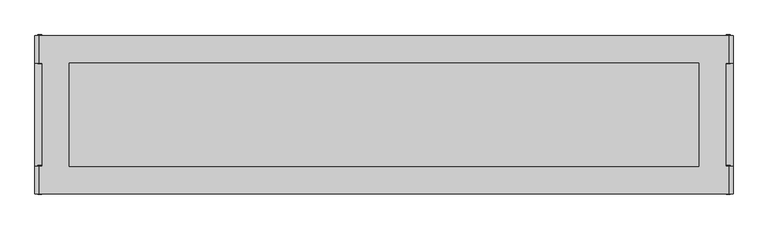
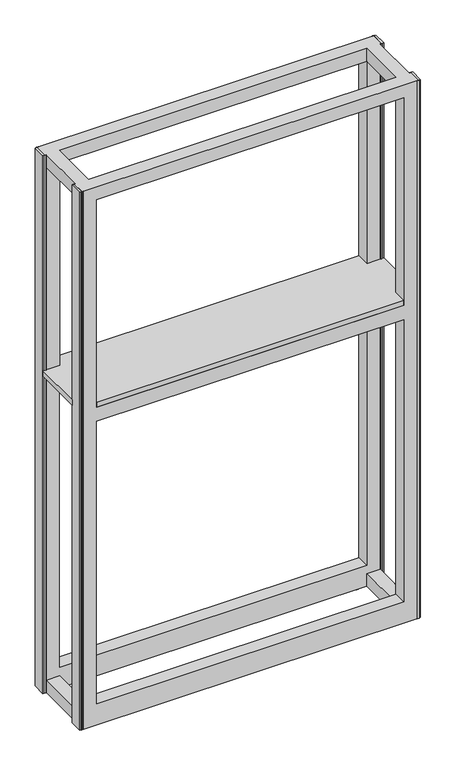
"""IFC4 building model written with IfcOpenShell, lengths in millimetres: furniture geometry."""

import ifcopenshell
import ifcopenshell.guid

model = None  # the IFC model being written
_history = None  # IfcOwnerHistory: only IFC2X3 demands one
_inside = {}  # id of a spatial element -> (the spatial element, [elements in it])
_under = {}  # id of a project, library or spatial element -> (it, [spatial elements below it])
_declared = {}  # id of a project -> (the project, [libraries it declares])
_typed = {}  # id of a type object -> (the type object, [elements of that type])
_made_of = {}  # id of a material, layer set ... -> (it, [elements and type objects made of it])


def new_model(schema):
    """Start an empty IFC model of exactly this schema.

    Asked for "IFC4X3", IfcOpenShell would pick the latest addendum, in which some entities
    have other attributes; the version numbers below select the first issue.
    IFC2X3 requires an IfcOwnerHistory on every rooted entity: one is made here for all.
    """
    global model, _history
    if schema == "IFC4X3":
        model = ifcopenshell.file(schema_version=(4, 3, 0, 0))
    else:
        model = ifcopenshell.file(schema=schema)
    _inside.clear()
    _under.clear()
    _declared.clear()
    _typed.clear()
    _made_of.clear()
    _history = None
    if model.schema == "IFC2X3":
        org = make("IfcOrganization", Name="unknown")
        user = make(
            "IfcPersonAndOrganization",
            ThePerson=make("IfcPerson", FamilyName="unknown"),
            TheOrganization=org,
        )
        app = make(
            "IfcApplication",
            ApplicationDeveloper=org,
            Version="unknown",
            ApplicationFullName="unknown",
            ApplicationIdentifier="unknown",
        )
        _history = make(
            "IfcOwnerHistory",
            OwningUser=user,
            OwningApplication=app,
            ChangeAction="ADDED",
            CreationDate=0,
        )
    return model


def make(cls, **values):
    """One entity of the class cls with the attributes given. An attribute that is None is left unset."""
    return model.create_entity(
        cls, **{name: value for name, value in values.items() if value is not None}
    )


def rooted(cls, **values):
    """An entity with a GlobalId (a new one), such as an element, a storey or a relation."""
    return make(cls, GlobalId=ifcopenshell.guid.new(), OwnerHistory=_history, **values)


def si_unit(unit_type, name, prefix=None):
    """IfcSIUnit, for example si_unit("LENGTHUNIT", "METRE", prefix="MILLI")."""
    return make("IfcSIUnit", UnitType=unit_type, Prefix=prefix, Name=name)


def assignment(units):
    """IfcUnitAssignment: the units of a project."""
    return None if units is None else make("IfcUnitAssignment", Units=units)


def point(xyz):
    """IfcCartesianPoint."""
    return None if xyz is None else make("IfcCartesianPoint", Coordinates=xyz)


def direction(xyz):
    """IfcDirection."""
    return None if xyz is None else make("IfcDirection", DirectionRatios=xyz)


def frame(location, z_axis=None, x_axis=None):
    """IfcAxis2Placement3D, a coordinate frame: its origin and axes. An axis left out is left unset."""
    return make(
        "IfcAxis2Placement3D",
        Location=point(location),
        Axis=direction(z_axis),
        RefDirection=direction(x_axis),
    )


def origin():
    """The frame at (0, 0, 0) with its axes left unset."""
    return frame((0.0, 0.0, 0.0))


def place(relative_to, where):
    """IfcLocalPlacement: puts the frame where relative to a parent placement (None: the world)."""
    return make(
        "IfcLocalPlacement", PlacementRelTo=relative_to, RelativePlacement=where
    )


def context(
    kind, dimensions, precision=None, world=None, true_north=None, identifier=None
):
    """IfcGeometricRepresentationContext, for example the 3D "Model" context."""
    return make(
        "IfcGeometricRepresentationContext",
        ContextIdentifier=identifier,
        ContextType=kind,
        CoordinateSpaceDimension=dimensions,
        Precision=precision,
        WorldCoordinateSystem=world,
        TrueNorth=true_north,
    )


def project(units=None, contexts=None):
    """IfcProject with its units and contexts."""
    return rooted(
        "IfcProject",
        Name="project",
        RepresentationContexts=contexts,
        UnitsInContext=assignment(units),
    )


def spatial(cls, under=None, at=None, **own):
    """A site, building, storey or space (cls), placed at a placement, below another one or the project."""
    s = rooted(cls, ObjectPlacement=at, **own)
    if under is not None:
        _under.setdefault(under.id(), (under, []))[1].append(s)
    return s


def polyline(points):
    """IfcPolyline through the points."""
    return make("IfcPolyline", Points=[point(p) for p in points])


def circle_curve(where, radius):
    """IfcCircle in the frame where."""
    return make("IfcCircle", Position=where, Radius=radius)


def outline(outer, holes=None, kind="AREA"):
    """IfcArbitraryClosedProfileDef: a profile drawn as a closed curve; with holes, ...WithVoids."""
    if holes is None:
        return make("IfcArbitraryClosedProfileDef", ProfileType=kind, OuterCurve=outer)
    return make(
        "IfcArbitraryProfileDefWithVoids",
        ProfileType=kind,
        OuterCurve=outer,
        InnerCurves=holes,
    )


def extrude(swept, where, along, depth):
    """IfcExtrudedAreaSolid: the profile swept, set in the frame where, extruded along a direction by depth."""
    return make(
        "IfcExtrudedAreaSolid",
        SweptArea=swept,
        Position=where,
        ExtrudedDirection=direction(along),
        Depth=depth,
    )


def faces_of(points, faces, orient=None, outer=None):
    """IfcFace entities. A face is a list of loops; a loop is a list of indices into points, from 0.

    orient and outer hold one flag for each loop. By default every Orientation is true, the
    first loop of a face is its IfcFaceOuterBound and the others are IfcFaceBound.
    """
    made = []
    for i, loops in enumerate(faces):
        bounds = []
        for j, loop in enumerate(loops):
            is_outer = j == 0 if outer is None else outer[i][j]
            bounds.append(
                make(
                    "IfcFaceOuterBound" if is_outer else "IfcFaceBound",
                    Bound=make("IfcPolyLoop", Polygon=[points[k] for k in loop]),
                    Orientation=True if orient is None else orient[i][j],
                )
            )
        made.append(make("IfcFace", Bounds=bounds))
    return made


def faceted_brep(points, faces, orient=None, outer=None, voids=None):
    """IfcFacetedBrep: a solid bounded by flat faces; with voids (closed shells), ...WithVoids."""
    shared = [point(p) for p in points]
    hull = make("IfcClosedShell", CfsFaces=faces_of(shared, faces, orient, outer))
    if voids is None:
        return make("IfcFacetedBrep", Outer=hull)
    return make(
        "IfcFacetedBrepWithVoids",
        Outer=hull,
        Voids=[
            make(cls, CfsFaces=faces_of(shared, fs, o, b)) for cls, fs, o, b in voids
        ],
    )


def shape(context_of_items, identifier, shape_type, items):
    """IfcShapeRepresentation: the items that make up one representation, for example the "Body"."""
    return make(
        "IfcShapeRepresentation",
        ContextOfItems=context_of_items,
        RepresentationIdentifier=identifier,
        RepresentationType=shape_type,
        Items=items,
    )


def source(mapping_origin, context_of_items, identifier, shape_type, items):
    """IfcRepresentationMap: a shape defined once, which mapped items show again and again."""
    return make(
        "IfcRepresentationMap",
        MappingOrigin=mapping_origin,
        MappedRepresentation=shape(context_of_items, identifier, shape_type, items),
    )


def transform(
    local_origin,
    x_axis=None,
    y_axis=None,
    z_axis=None,
    scale=None,
    scale2=None,
    scale3=None,
    uniform=True,
):
    """IfcCartesianTransformationOperator3D, or its non-uniform kind. x_axis, y_axis, z_axis: its Axis1, 2, 3."""
    if uniform:
        return make(
            "IfcCartesianTransformationOperator3D",
            Axis1=direction(x_axis),
            Axis2=direction(y_axis),
            LocalOrigin=point(local_origin),
            Scale=scale,
            Axis3=direction(z_axis),
        )
    return make(
        "IfcCartesianTransformationOperator3DnonUniform",
        Axis1=direction(x_axis),
        Axis2=direction(y_axis),
        LocalOrigin=point(local_origin),
        Scale=scale,
        Axis3=direction(z_axis),
        Scale2=scale2,
        Scale3=scale3,
    )


def mapped(mapping_source, mapping_target):
    """IfcMappedItem: shows the shape of a source again, moved by a transform."""
    return make(
        "IfcMappedItem", MappingSource=mapping_source, MappingTarget=mapping_target
    )


def made_of(thing, what):
    """Note that an element or type object is made of a material, layer set ...; save() writes the relation."""
    if what is not None:
        _made_of.setdefault(what.id(), (what, []))[1].append(thing)
    return thing


def element(
    cls,
    number,
    at=None,
    inside=None,
    cuts=None,
    type_object=None,
    material=None,
    context=None,
    identifier="Body",
    shape_type=None,
    held_by="IfcProductDefinitionShape",
    body=None,
    shapes=None,
    **own,
):
    """One element of the class cls, such as IfcWall. Its Tag is "e" and its number.

    at: its placement. inside: the storey or other place that contains it. cuts: it is an
    opening in that element (IfcRelVoidsElement). A single representation is given by context,
    identifier, shape_type and body (its items); several are given by shapes. held_by: the class
    of the entity that holds the representations. save() writes the other relations.
    """
    e = rooted(cls, Tag="e%d" % number, ObjectPlacement=at, **own)
    if body is not None:
        shapes = [shape(context, identifier, shape_type, body)]
    if shapes is not None:
        e.Representation = make(held_by, Representations=shapes)
    if inside is not None:
        _inside.setdefault(inside.id(), (inside, []))[1].append(e)
    if cuts is not None:
        rooted(
            "IfcRelVoidsElement", RelatingBuildingElement=cuts, RelatedOpeningElement=e
        )
    if type_object is not None:
        _typed.setdefault(type_object.id(), (type_object, []))[1].append(e)
    return made_of(e, material)


def aggregate(whole, parts):
    """IfcRelAggregates: a whole, such as a stair, and the parts it consists of."""
    return rooted("IfcRelAggregates", RelatingObject=whole, RelatedObjects=parts)


def save(model, path):
    """Write the relations noted so far, then the file.

    IfcRelAggregates (storeys below a building ...), IfcRelContainedInSpatialStructure (elements
    in a storey), IfcRelDefinesByType, IfcRelAssociatesMaterial and IfcRelDeclares: one each for
    every whole, place, type object, material and project.
    """
    for whole, parts in _under.values():
        aggregate(whole, parts)
    for where, things in _inside.values():
        rooted(
            "IfcRelContainedInSpatialStructure",
            RelatedElements=things,
            RelatingStructure=where,
        )
    for kind, things in _typed.values():
        rooted("IfcRelDefinesByType", RelatedObjects=things, RelatingType=kind)
    for what, things in _made_of.values():
        rooted("IfcRelAssociatesMaterial", RelatedObjects=things, RelatingMaterial=what)
    for by, libraries in _declared.values():
        rooted("IfcRelDeclares", RelatingContext=by, RelatedDefinitions=libraries)
    model.write(path)


def plane_surface(at):
    """IfcPlane: the flat surface through the origin of the frame at, square to its z axis."""
    return make("IfcPlane", Position=at)


def cylinder_surface(at, radius):
    """IfcCylindricalSurface: all points at the distance radius from the z axis of the frame at."""
    return make("IfcCylindricalSurface", Position=at, Radius=radius)


def advanced_brep(points, edges, surfaces, faces):
    """IfcAdvancedBrep: a solid bounded by faces that lie on surfaces and meet in shared edges.

    An edge is (start, end): straight between two places in points (the first is 0);
    or (start, end, curve); or (start, end, curve, False) where it runs against its curve.
    A face is (place in surfaces, loops), or (place, loops, False) where it looks against
    its surface's normal. A loop lists edges by number (the first is 1), with a minus sign
    where the edge is run from its end to its start. The first loop is the outer one.
    """
    corners = [point(p) for p in points]
    vertices = [make("IfcVertexPoint", VertexGeometry=c) for c in corners]
    made = []
    for start, end, *more in edges:
        made.append(
            make(
                "IfcEdgeCurve",
                EdgeStart=vertices[start],
                EdgeEnd=vertices[end],
                EdgeGeometry=more[0] if more else make("IfcPolyline", Points=[corners[start], corners[end]]),
                SameSense=more[1] if len(more) > 1 else True,
            )
        )
    hull = []
    for where, loops, *sense in faces:
        bounds = []
        for j, loop in enumerate(loops):
            ring = [make("IfcOrientedEdge", EdgeElement=made[abs(k) - 1], Orientation=k > 0) for k in loop]
            bounds.append(
                make(
                    "IfcFaceOuterBound" if j == 0 else "IfcFaceBound",
                    Bound=make("IfcEdgeLoop", EdgeList=ring),
                    Orientation=True,
                )
            )
        hull.append(make("IfcAdvancedFace", Bounds=bounds, FaceSurface=surfaces[where], SameSense=sense[0] if sense else True))
    return make("IfcAdvancedBrep", Outer=make("IfcClosedShell", CfsFaces=hull))


def furniture_21130c83(model_context):
    return source(origin(), model_context, "Body", "SolidModel", [
        extrude(outline(polyline([(-666.8352248, -1712.1156691), (-606.5102232, -1712.1156691), (-606.5102232, -1664.3887805), (492.0327537, -1664.3887805), (492.0327537, -1712.1156691), (552.3647752, -1712.1156691), (552.3647752, -1892.9887805), (492.0327537, -1892.9887805), (492.0327537, -1940.7156691), (-606.5102232, -1940.7156691), (-606.5102232, -1892.9887805), (-666.8352248, -1892.9887805), (-666.8352248, -1712.1156691)])), frame((0.0, 0.0, 1209.675), z_axis=(0.0, 0.0, 1.0), x_axis=(1.0, 0.0, 0.0)), (0.0, 0.0, 1.0), 19.05),
        faceted_brep([(-606.5102232, -1716.7762789, 1155.6999758), (-606.5102232, -1716.7762789, 1147.8259651), (-606.5102232, -1717.5700289, 1147.8259651), (-606.5102232, -1717.5700289, 1156.4937258), (-606.5102232, -1712.1156691, 1156.4937258), (-606.5102232, -1712.1156691, 1155.6999758), (-606.5102232, -1888.1243934, 1147.8259651), (-606.5102232, -1888.1243934, 1155.6999758), (-606.5102232, -1892.9887805, 1155.6999758), (-606.5102232, -1892.9887805, 1156.4937258), (-606.5102232, -1887.3306434, 1156.4937258), (-606.5102232, -1887.3306434, 1147.8259651), (492.0327537, -1717.5700289, 1156.4937258), (492.0327537, -1717.5700289, 1147.8259651), (492.0327537, -1716.7762789, 1147.8259651), (492.0327537, -1716.7762789, 1155.6999758), (492.0327537, -1712.1156691, 1155.6999758), (492.0327537, -1712.1156691, 1156.4937258), (492.0327537, -1888.1243934, 1147.8259651), (492.0327537, -1887.3306434, 1147.8259651), (492.0327537, -1887.3306434, 1156.4937258), (492.0327537, -1892.9887805, 1156.4937258), (492.0327537, -1892.9887805, 1155.6999758), (492.0327537, -1888.1243934, 1155.6999758), (492.0327537, -1667.5637805, 1156.4937258), (-606.5102232, -1667.5637805, 1156.4937258), (492.0327537, -1667.5637805, 1208.88125), (-606.5102232, -1667.5637805, 1208.88125), (492.0327537, -1712.1156691, 1208.88125), (-606.5102232, -1712.1156691, 1208.88125), (492.0327537, -1712.1156691, 1209.675), (-606.5102232, -1712.1156691, 1209.675), (-606.5102232, -1712.1156691, 1993.9043361), (-654.135224, -1712.1156691, 1993.9043361), (-654.135224, -1712.1156691, 2041.525), (-658.8977242, -1712.1156691, 2041.525), (-658.8977242, -1712.1156691, 9.525), (544.4272747, -1712.1156691, 9.525), (544.4272747, -1712.1156691, 2041.525), (539.6647745, -1712.1156691, 2041.525), (539.6647745, -1712.1156691, 1993.9043361), (492.0327537, -1712.1156691, 1993.9043361), (492.0327537, -1712.1156691, 88.9000027), (-606.5102232, -1712.1156691, 88.9000027), (492.0327537, -1712.1156691, 2041.525), (-606.5102232, -1712.1156691, 2041.525), (492.0327537, -1664.3887805, 1209.675), (-606.5102232, -1664.3887805, 1209.675), (-658.8977242, -1664.3887805, 9.525), (-658.8977242, -1664.3887805, 2041.525), (544.4272747, -1664.3887805, 2041.525), (544.4272747, -1664.3887805, 9.525), (492.0327537, -1664.3887805, 1993.9043361), (-606.5102232, -1664.3887805, 1993.9043361), (492.0327537, -1664.3887805, 1155.6999758), (-606.5102232, -1664.3887805, 1155.6999758), (-606.5102232, -1664.3887805, 88.9000027), (492.0327537, -1664.3887805, 88.9000027), (492.0327537, -1940.7156691, 1155.6999758), (-606.5102232, -1940.7156691, 1155.6999758), (-658.8977242, -1940.7156691, 2041.525), (-658.8977242, -1940.7156691, 9.525), (544.4272747, -1940.7156691, 9.525), (544.4272747, -1940.7156691, 2041.525), (492.0327537, -1940.7156691, 88.9000027), (-606.5102232, -1940.7156691, 88.9000027), (492.0327537, -1940.7156691, 1209.675), (-606.5102232, -1940.7156691, 1209.675), (-606.5102232, -1940.7156691, 1993.9043361), (492.0327537, -1940.7156691, 1993.9043361), (492.0327537, -1892.9887805, 1209.675), (-606.5102232, -1892.9887805, 1209.675), (492.0327537, -1892.9887805, 1993.9043361), (539.6647745, -1892.9887805, 1993.9043361), (539.6647745, -1892.9887805, 2041.525), (544.4272747, -1892.9887805, 2041.525), (544.4272747, -1892.9887805, 9.525), (-658.8977242, -1892.9887805, 9.525), (-658.8977242, -1892.9887805, 2041.525), (-654.135224, -1892.9887805, 2041.525), (-654.135224, -1892.9887805, 1993.9043361), (-606.5102232, -1892.9887805, 1993.9043361), (492.0327537, -1892.9887805, 1208.88125), (-606.5102232, -1892.9887805, 1208.88125), (-606.5102232, -1892.9887805, 88.9000027), (492.0327537, -1892.9887805, 88.9000027), (-606.5102232, -1892.9887805, 2041.525), (492.0327537, -1892.9887805, 2041.525), (492.0327537, -1937.438782, 1208.88125), (-606.5102232, -1937.438782, 1208.88125), (492.0327537, -1937.438782, 1156.4937258), (-606.5102232, -1937.438782, 1156.4937258)], [[[0, 1, 2, 3, 4, 5]], [[6, 7, 8, 9, 10, 11]], [[12, 13, 14, 15, 16, 17]], [[18, 19, 20, 21, 22, 23]], [[3, 12, 17, 24, 25, 4]], [[25, 24, 26, 27]], [[27, 26, 28, 29]], [[30, 31, 32, 33, 34, 35, 36, 37, 38, 39, 40, 41], [29, 28, 17, 16, 42, 43, 5, 4]], [[32, 41, 44, 45]], [[31, 30, 46, 47]], [[48, 49, 50, 51], [47, 46, 52, 53], [54, 55, 56, 57]], [[55, 54, 16, 15, 0, 5]], [[1, 0, 15, 14]], [[2, 1, 14, 13]], [[3, 2, 13, 12]], [[7, 6, 18, 23]], [[7, 23, 22, 58, 59, 8]], [[60, 61, 62, 63], [59, 58, 64, 65], [66, 67, 68, 69]], [[67, 66, 70, 71]], [[71, 70, 72, 73, 74, 75, 76, 77, 78, 79, 80, 81], [82, 83, 9, 8, 84, 85, 22, 21]], [[72, 81, 86, 87]], [[83, 82, 88, 89]], [[89, 88, 90, 91]], [[91, 90, 21, 20, 10, 9]], [[11, 10, 20, 19]], [[6, 11, 19, 18]], [[49, 35, 34, 79, 78, 60, 63, 75, 74, 39, 38, 50], [45, 44, 87, 86]], [[36, 48, 51, 37]], [[61, 77, 76, 62]], [[29, 4, 25, 27]], [[31, 47, 53, 32]], [[55, 5, 43, 56]], [[35, 49, 48, 36]], [[50, 38, 37, 51]], [[17, 28, 26, 24]], [[46, 30, 41, 52]], [[16, 54, 57, 42]], [[8, 59, 65, 84]], [[67, 71, 81, 68]], [[9, 83, 89, 91]], [[60, 78, 77, 61]], [[75, 63, 62, 76]], [[58, 22, 85, 64]], [[70, 66, 69, 72]], [[82, 21, 90, 88]], [[85, 84, 65, 64]], [[57, 56, 43, 42]], [[41, 32, 53, 52]], [[81, 72, 69, 68]], [[80, 33, 32, 81]], [[72, 41, 40, 73]], [[45, 86, 81, 32]], [[79, 34, 33, 80]], [[39, 74, 73, 40]], [[87, 44, 41, 72]]]),
        faceted_brep([(492.0327537, -1713.6012805, 57.1500023), (492.0327537, -1713.6012805, 9.525), (492.0327537, -1891.4012805, 9.525), (492.0327537, -1891.4012805, 57.1500023), (539.6647745, -1713.6012805, 57.1500023), (539.6647745, -1891.4012805, 57.1500023), (539.6647745, -1891.4012805, 9.525), (539.6647745, -1713.6012805, 9.525)], [[[0, 1, 2, 3]], [[4, 5, 6, 7]], [[1, 0, 4, 7]], [[2, 1, 7, 6]], [[3, 2, 6, 5]], [[0, 3, 5, 4]]]),
        faceted_brep([(-654.135224, -1891.4012805, 57.1500023), (-654.135224, -1713.6012805, 57.1500023), (-654.135224, -1713.6012805, 9.525), (-654.135224, -1891.4012805, 9.525), (-606.5102232, -1891.4012805, 57.1500023), (-606.5102232, -1891.4012805, 9.525), (-606.5102232, -1713.6012805, 9.525), (-606.5102232, -1713.6012805, 57.1500023)], [[[0, 1, 2, 3]], [[4, 5, 6, 7]], [[1, 0, 4, 7]], [[2, 1, 7, 6]], [[3, 2, 6, 5]], [[0, 3, 5, 4]]]),
        extrude(outline(polyline([(-666.8352248, -1664.3887805), (-658.8977242, -1664.3887805), (-658.8977242, -1712.1156691), (-666.8352248, -1712.1156691), (-666.8352248, -1664.3887805)])), frame((0.0, 0.0, 9.525), z_axis=(0.0, 0.0, 1.0), x_axis=(1.0, 0.0, 0.0)), (0.0, 0.0, 1.0), 2032.0),
        extrude(outline(polyline([(552.3647752, -1664.3887805), (552.3647752, -1712.1156691), (544.4272747, -1712.1156691), (544.4272747, -1664.3887805), (552.3647752, -1664.3887805)])), frame((0.0, 0.0, 9.525), z_axis=(0.0, 0.0, 1.0), x_axis=(1.0, 0.0, 0.0)), (0.0, 0.0, 1.0), 2032.0),
        extrude(outline(polyline([(-666.8352248, -1940.7156691), (-666.8352248, -1892.9887805), (-658.8977242, -1892.9887805), (-658.8977242, -1940.7156691), (-666.8352248, -1940.7156691)])), frame((0.0, 0.0, 9.525), z_axis=(0.0, 0.0, 1.0), x_axis=(1.0, 0.0, 0.0)), (0.0, 0.0, 1.0), 2032.0),
        extrude(outline(polyline([(552.3647752, -1940.7156691), (544.4272747, -1940.7156691), (544.4272747, -1892.9887805), (552.3647752, -1892.9887805), (552.3647752, -1940.7156691)])), frame((0.0, 0.0, 9.525), z_axis=(0.0, 0.0, 1.0), x_axis=(1.0, 0.0, 0.0)), (0.0, 0.0, 1.0), 2032.0),
        advanced_brep(
        [(460.3465668, -1688.2012805, 31.7500003), (473.0465668, -1688.2012805, 31.7500003), (466.6965668, -1688.2012805, 31.7500003), (460.3465668, -1688.2012805, 4.7625), (473.0465668, -1688.2012805, 4.7625), (453.9965668, -1688.2012805, 4.7625), (479.3965668, -1688.2012805, 4.7625), (453.9965668, -1688.2012805, 0.0), (479.3965668, -1688.2012805, 0.0), (466.6965668, -1688.2012805, 0.0)],
        [
            (0, 1, circle_curve(frame((466.6965668, -1688.2012805, 31.7500003), z_axis=(0.0, 0.0, 1.0), x_axis=(1.0, 0.0, 0.0)), 6.35)),
            (1, 2),
            (2, 0),
            (1, 0, circle_curve(frame((466.6965668, -1688.2012805, 31.7500003), z_axis=(0.0, 0.0, 1.0), x_axis=(1.0, 0.0, 0.0)), 6.35)),
            (3, 4, circle_curve(frame((466.6965668, -1688.2012805, 4.7625), z_axis=(0.0, 0.0, 1.0), x_axis=(1.0, 0.0, 0.0)), 6.35)),
            (4, 1),
            (0, 3),
            (4, 3, circle_curve(frame((466.6965668, -1688.2012805, 4.7625), z_axis=(0.0, 0.0, 1.0), x_axis=(1.0, 0.0, 0.0)), 6.35)),
            (5, 6, circle_curve(frame((466.6965668, -1688.2012805, 4.7625), z_axis=(0.0, 0.0, 1.0), x_axis=(1.0, 0.0, 0.0)), 12.7)),
            (6, 4),
            (3, 5),
            (6, 5, circle_curve(frame((466.6965668, -1688.2012805, 4.7625), z_axis=(0.0, 0.0, 1.0), x_axis=(1.0, 0.0, 0.0)), 12.7)),
            (7, 8, circle_curve(frame((466.6965668, -1688.2012805, 0.0), z_axis=(0.0, 0.0, 1.0), x_axis=(1.0, 0.0, 0.0)), 12.7)),
            (8, 6),
            (5, 7),
            (8, 7, circle_curve(frame((466.6965668, -1688.2012805, 0.0), z_axis=(0.0, 0.0, 1.0), x_axis=(1.0, 0.0, 0.0)), 12.7)),
            (9, 8),
            (7, 9),
        ],
        [
            plane_surface(frame((466.6965668, -1688.2012805, 31.7500003), z_axis=(0.0, 0.0, 1.0), x_axis=(1.0, 0.0, 0.0))),
            cylinder_surface(frame((466.6965668, -1688.2012805, -8.2875395), z_axis=(0.0, 0.0, -1.0), x_axis=(1.0, 0.0, 0.0)), 6.35),
            plane_surface(frame((466.6965668, -1688.2012805, 4.7625), z_axis=(0.0, 0.0, 1.0), x_axis=(1.0, 0.0, 0.0))),
            cylinder_surface(frame((466.6965668, -1688.2012805, -8.2875395), z_axis=(0.0, 0.0, -1.0), x_axis=(1.0, 0.0, 0.0)), 12.7),
            plane_surface(frame((466.6965668, -1688.2012805, 0.0), z_axis=(0.0, 0.0, -1.0), x_axis=(1.0, 0.0, 0.0))),
        ],
        [
            (0, [[1, 2, 3]]),
            (0, [[4, -3, -2]]),
            (1, [[5, 6, -1, 7]]),
            (1, [[8, -7, -4, -6]]),
            (2, [[9, 10, -5, 11]]),
            (2, [[12, -11, -8, -10]]),
            (3, [[13, 14, -9, 15]]),
            (3, [[16, -15, -12, -14]]),
            (4, [[17, -13, 18]]),
            (4, [[-18, -16, -17]]),
        ],
    ),
        advanced_brep(
        [(453.9965668, -1916.8012805, 0.0), (479.3965668, -1916.8012805, 0.0), (479.3965668, -1916.8012805, 4.7625), (453.9965668, -1916.8012805, 4.7625), (466.6965668, -1916.8012805, 0.0), (460.3465668, -1916.8012805, 31.7500003), (473.0465668, -1916.8012805, 31.7500003), (466.6965668, -1916.8012805, 31.7500003), (460.3465668, -1916.8012805, 4.7625), (473.0465668, -1916.8012805, 4.7625)],
        [
            (0, 1, circle_curve(frame((466.6965668, -1916.8012805, 0.0), z_axis=(0.0, 0.0, 1.0), x_axis=(1.0, 0.0, 0.0)), 12.7)),
            (1, 2),
            (2, 3, circle_curve(frame((466.6965668, -1916.8012805, 4.7625), z_axis=(0.0, 0.0, -1.0), x_axis=(1.0, 0.0, 0.0)), 12.7)),
            (3, 0),
            (1, 0, circle_curve(frame((466.6965668, -1916.8012805, 0.0), z_axis=(0.0, 0.0, 1.0), x_axis=(1.0, 0.0, 0.0)), 12.7)),
            (3, 2, circle_curve(frame((466.6965668, -1916.8012805, 4.7625), z_axis=(0.0, 0.0, -1.0), x_axis=(1.0, 0.0, 0.0)), 12.7)),
            (4, 1),
            (0, 4),
            (5, 6, circle_curve(frame((466.6965668, -1916.8012805, 31.7500003), z_axis=(0.0, 0.0, 1.0), x_axis=(1.0, 0.0, 0.0)), 6.35)),
            (6, 7),
            (7, 5),
            (6, 5, circle_curve(frame((466.6965668, -1916.8012805, 31.7500003), z_axis=(0.0, 0.0, 1.0), x_axis=(1.0, 0.0, 0.0)), 6.35)),
            (8, 9, circle_curve(frame((466.6965668, -1916.8012805, 4.7625), z_axis=(0.0, 0.0, 1.0), x_axis=(1.0, 0.0, 0.0)), 6.35)),
            (9, 6),
            (5, 8),
            (9, 8, circle_curve(frame((466.6965668, -1916.8012805, 4.7625), z_axis=(0.0, 0.0, 1.0), x_axis=(1.0, 0.0, 0.0)), 6.35)),
            (2, 9),
            (8, 3),
        ],
        [
            cylinder_surface(frame((466.6965668, -1916.8012805, -12.7), z_axis=(0.0, 0.0, -1.0), x_axis=(1.0, 0.0, 0.0)), 12.7),
            plane_surface(frame((466.6965668, -1916.8012805, 0.0), z_axis=(0.0, 0.0, -1.0), x_axis=(1.0, 0.0, 0.0))),
            plane_surface(frame((466.6965668, -1916.8012805, 31.7500003), z_axis=(0.0, 0.0, 1.0), x_axis=(1.0, 0.0, 0.0))),
            cylinder_surface(frame((466.6965668, -1916.8012805, -12.7), z_axis=(0.0, 0.0, -1.0), x_axis=(1.0, 0.0, 0.0)), 6.35),
            plane_surface(frame((466.6965668, -1916.8012805, 4.7625), z_axis=(0.0, 0.0, 1.0), x_axis=(1.0, 0.0, 0.0))),
        ],
        [
            (0, [[1, 2, 3, 4]]),
            (0, [[5, -4, 6, -2]]),
            (1, [[7, -1, 8]]),
            (1, [[-8, -5, -7]]),
            (2, [[9, 10, 11]]),
            (2, [[12, -11, -10]]),
            (3, [[13, 14, -9, 15]]),
            (3, [[16, -15, -12, -14]]),
            (4, [[-3, 17, -13, 18]]),
            (4, [[-6, -18, -16, -17]]),
        ],
    ),
        advanced_brep(
        [(-593.8670163, -1916.8012805, 0.0), (-568.4670163, -1916.8012805, 0.0), (-568.4670163, -1916.8012805, 4.7625), (-593.8670163, -1916.8012805, 4.7625), (-581.1670163, -1916.8012805, 0.0), (-587.5170163, -1916.8012805, 31.7500003), (-574.8170163, -1916.8012805, 31.7500003), (-581.1670163, -1916.8012805, 31.7500003), (-587.5170163, -1916.8012805, 4.7625), (-574.8170163, -1916.8012805, 4.7625)],
        [
            (0, 1, circle_curve(frame((-581.1670163, -1916.8012805, 0.0), z_axis=(0.0, 0.0, 1.0), x_axis=(1.0, 0.0, 0.0)), 12.7)),
            (1, 2),
            (2, 3, circle_curve(frame((-581.1670163, -1916.8012805, 4.7625), z_axis=(0.0, 0.0, -1.0), x_axis=(1.0, 0.0, 0.0)), 12.7)),
            (3, 0),
            (1, 0, circle_curve(frame((-581.1670163, -1916.8012805, 0.0), z_axis=(0.0, 0.0, 1.0), x_axis=(1.0, 0.0, 0.0)), 12.7)),
            (3, 2, circle_curve(frame((-581.1670163, -1916.8012805, 4.7625), z_axis=(0.0, 0.0, -1.0), x_axis=(1.0, 0.0, 0.0)), 12.7)),
            (4, 1),
            (0, 4),
            (5, 6, circle_curve(frame((-581.1670163, -1916.8012805, 31.7500003), z_axis=(0.0, 0.0, 1.0), x_axis=(1.0, 0.0, 0.0)), 6.35)),
            (6, 7),
            (7, 5),
            (6, 5, circle_curve(frame((-581.1670163, -1916.8012805, 31.7500003), z_axis=(0.0, 0.0, 1.0), x_axis=(1.0, 0.0, 0.0)), 6.35)),
            (8, 9, circle_curve(frame((-581.1670163, -1916.8012805, 4.7625), z_axis=(0.0, 0.0, 1.0), x_axis=(1.0, 0.0, 0.0)), 6.35)),
            (9, 6),
            (5, 8),
            (9, 8, circle_curve(frame((-581.1670163, -1916.8012805, 4.7625), z_axis=(0.0, 0.0, 1.0), x_axis=(1.0, 0.0, 0.0)), 6.35)),
            (2, 9),
            (8, 3),
        ],
        [
            cylinder_surface(frame((-581.1670163, -1916.8012805, -4.6781394), z_axis=(0.0, 0.0, -1.0), x_axis=(1.0, 0.0, 0.0)), 12.7),
            plane_surface(frame((-581.1670163, -1916.8012805, 0.0), z_axis=(0.0, 0.0, -1.0), x_axis=(1.0, 0.0, 0.0))),
            plane_surface(frame((-581.1670163, -1916.8012805, 31.7500003), z_axis=(0.0, 0.0, 1.0), x_axis=(1.0, 0.0, 0.0))),
            cylinder_surface(frame((-581.1670163, -1916.8012805, -4.6781394), z_axis=(0.0, 0.0, -1.0), x_axis=(1.0, 0.0, 0.0)), 6.35),
            plane_surface(frame((-581.1670163, -1916.8012805, 4.7625), z_axis=(0.0, 0.0, 1.0), x_axis=(1.0, 0.0, 0.0))),
        ],
        [
            (0, [[1, 2, 3, 4]]),
            (0, [[5, -4, 6, -2]]),
            (1, [[7, -1, 8]]),
            (1, [[-8, -5, -7]]),
            (2, [[9, 10, 11]]),
            (2, [[12, -11, -10]]),
            (3, [[13, 14, -9, 15]]),
            (3, [[16, -15, -12, -14]]),
            (4, [[-3, 17, -13, 18]]),
            (4, [[-6, -18, -16, -17]]),
        ],
    ),
        advanced_brep(
        [(-593.8670163, -1688.2012805, 0.0), (-568.4670163, -1688.2012805, 0.0), (-568.4670163, -1688.2012805, 4.7625), (-593.8670163, -1688.2012805, 4.7625), (-581.1670163, -1688.2012805, 0.0), (-587.5170163, -1688.2012805, 31.7500003), (-574.8170163, -1688.2012805, 31.7500003), (-581.1670163, -1688.2012805, 31.7500003), (-587.5170163, -1688.2012805, 4.7625), (-574.8170163, -1688.2012805, 4.7625)],
        [
            (0, 1, circle_curve(frame((-581.1670163, -1688.2012805, 0.0), z_axis=(0.0, 0.0, 1.0), x_axis=(1.0, 0.0, 0.0)), 12.7)),
            (1, 2),
            (2, 3, circle_curve(frame((-581.1670163, -1688.2012805, 4.7625), z_axis=(0.0, 0.0, -1.0), x_axis=(1.0, 0.0, 0.0)), 12.7)),
            (3, 0),
            (1, 0, circle_curve(frame((-581.1670163, -1688.2012805, 0.0), z_axis=(0.0, 0.0, 1.0), x_axis=(1.0, 0.0, 0.0)), 12.7)),
            (3, 2, circle_curve(frame((-581.1670163, -1688.2012805, 4.7625), z_axis=(0.0, 0.0, -1.0), x_axis=(1.0, 0.0, 0.0)), 12.7)),
            (4, 1),
            (0, 4),
            (5, 6, circle_curve(frame((-581.1670163, -1688.2012805, 31.7500003), z_axis=(0.0, 0.0, 1.0), x_axis=(1.0, 0.0, 0.0)), 6.35)),
            (6, 7),
            (7, 5),
            (6, 5, circle_curve(frame((-581.1670163, -1688.2012805, 31.7500003), z_axis=(0.0, 0.0, 1.0), x_axis=(1.0, 0.0, 0.0)), 6.35)),
            (8, 9, circle_curve(frame((-581.1670163, -1688.2012805, 4.7625), z_axis=(0.0, 0.0, 1.0), x_axis=(1.0, 0.0, 0.0)), 6.35)),
            (9, 6),
            (5, 8),
            (9, 8, circle_curve(frame((-581.1670163, -1688.2012805, 4.7625), z_axis=(0.0, 0.0, 1.0), x_axis=(1.0, 0.0, 0.0)), 6.35)),
            (2, 9),
            (8, 3),
        ],
        [
            cylinder_surface(frame((-581.1670163, -1688.2012805, -10.8541202), z_axis=(0.0, 0.0, -1.0), x_axis=(1.0, 0.0, 0.0)), 12.7),
            plane_surface(frame((-581.1670163, -1688.2012805, 0.0), z_axis=(0.0, 0.0, -1.0), x_axis=(1.0, 0.0, 0.0))),
            plane_surface(frame((-581.1670163, -1688.2012805, 31.7500003), z_axis=(0.0, 0.0, 1.0), x_axis=(1.0, 0.0, 0.0))),
            cylinder_surface(frame((-581.1670163, -1688.2012805, -10.8541202), z_axis=(0.0, 0.0, -1.0), x_axis=(1.0, 0.0, 0.0)), 6.35),
            plane_surface(frame((-581.1670163, -1688.2012805, 4.7625), z_axis=(0.0, 0.0, 1.0), x_axis=(1.0, 0.0, 0.0))),
        ],
        [
            (0, [[1, 2, 3, 4]]),
            (0, [[5, -4, 6, -2]]),
            (1, [[7, -1, 8]]),
            (1, [[-8, -5, -7]]),
            (2, [[9, 10, 11]]),
            (2, [[12, -11, -10]]),
            (3, [[13, 14, -9, 15]]),
            (3, [[16, -15, -12, -14]]),
            (4, [[-3, 17, -13, 18]]),
            (4, [[-6, -18, -16, -17]]),
        ],
    ),
        extrude(outline(polyline([(547.6057257, -1942.2012805), (540.7730168, -1942.2012805), (539.2874054, -1940.7156691), (547.6057257, -1940.7156691), (547.6057257, -1942.2012805)])), frame((0.0, 0.0, 9.525), z_axis=(0.0, 0.0, 1.0), x_axis=(1.0, 0.0, 0.0)), (0.0, 0.0, 1.0), 2032.0),
        extrude(outline(polyline([(539.6647745, -1664.3887805), (540.7730168, -1662.8012805), (547.6057257, -1662.8012805), (547.6057257, -1664.3887805), (539.6647745, -1664.3887805)])), frame((0.0, 0.0, 9.525), z_axis=(0.0, 0.0, 1.0), x_axis=(1.0, 0.0, 0.0)), (0.0, 0.0, 1.0), 2032.0),
        extrude(outline(polyline([(539.7359035, -1712.1156691), (547.6057257, -1712.1156691), (547.6057257, -1713.6012805), (540.7730168, -1713.6012805), (539.7359035, -1712.1156691)])), frame((0.0, 0.0, 9.525), z_axis=(0.0, 0.0, 1.0), x_axis=(1.0, 0.0, 0.0)), (0.0, 0.0, 1.0), 2032.0),
        extrude(outline(polyline([(547.6057257, -1891.4012805), (547.6057257, -1892.9887805), (539.5887672, -1892.9887805), (540.7730168, -1891.4012805), (547.6057257, -1891.4012805)])), frame((0.0, 0.0, 9.525), z_axis=(0.0, 0.0, 1.0), x_axis=(1.0, 0.0, 0.0)), (0.0, 0.0, 1.0), 2032.0),
        extrude(outline(polyline([(-662.0761752, -1942.2012805), (-662.0761752, -1940.7156691), (-654.135224, -1940.7156691), (-655.2434663, -1942.2012805), (-662.0761752, -1942.2012805)])), frame((0.0, 0.0, 9.525), z_axis=(0.0, 0.0, 1.0), x_axis=(1.0, 0.0, 0.0)), (0.0, 0.0, 1.0), 2032.0),
        extrude(outline(polyline([(-654.135224, -1664.3887805), (-662.0761752, -1664.3887805), (-662.0761752, -1662.8012805), (-655.2434663, -1662.8012805), (-654.135224, -1664.3887805)])), frame((0.0, 0.0, 9.525), z_axis=(0.0, 0.0, 1.0), x_axis=(1.0, 0.0, 0.0)), (0.0, 0.0, 1.0), 2032.0),
        extrude(outline(polyline([(-654.135224, -1712.1156691), (-655.2434663, -1713.6012805), (-662.0761752, -1713.6012805), (-662.0761752, -1712.1156691), (-654.135224, -1712.1156691)])), frame((0.0, 0.0, 9.525), z_axis=(0.0, 0.0, 1.0), x_axis=(1.0, 0.0, 0.0)), (0.0, 0.0, 1.0), 2032.0),
        extrude(outline(polyline([(-662.0761752, -1891.4012805), (-655.2434663, -1891.4012805), (-654.135224, -1892.9887805), (-662.0761752, -1892.9887805), (-662.0761752, -1891.4012805)])), frame((0.0, 0.0, 9.525), z_axis=(0.0, 0.0, 1.0), x_axis=(1.0, 0.0, 0.0)), (0.0, 0.0, 1.0), 2032.0),
    ])


if __name__ == "__main__":
    model = new_model("IFC4")
    model_context = context("Model", 3, world=origin())
    ifc_project = project(units=[si_unit("LENGTHUNIT", "METRE", prefix="MILLI")], contexts=[model_context])
    site = spatial("IfcSite", under=ifc_project)
    building = spatial("IfcBuilding", under=site)
    placement = place(None, origin())
    furniture_shape = furniture_21130c83(model_context)
    element("IfcFurniture", 1, at=placement, inside=building, context=model_context, shape_type="MappedRepresentation", body=[
        mapped(furniture_shape, transform((0.0, 0.0, 0.0), x_axis=(1.0, 0.0, 0.0), y_axis=(0.0, 1.0, 0.0), z_axis=(0.0, 0.0, 1.0))),
    ])
    save(model, "model.ifc")
